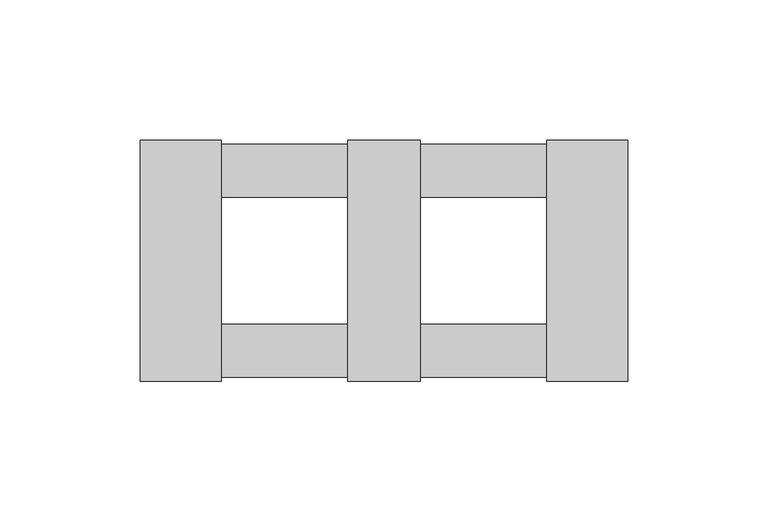
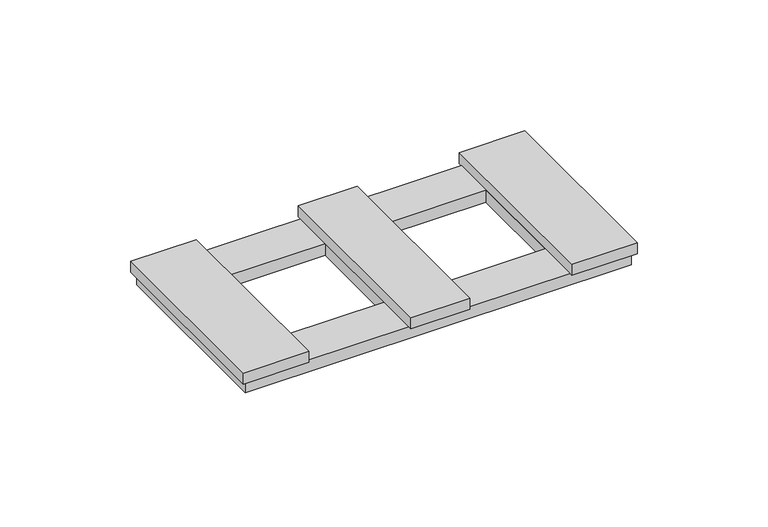
"""IFC4 building model written with IfcOpenShell, lengths in millimetres: proxy geometry."""

from ifc_helpers import new_model, si_unit, frame, origin, origin_with_axes, place, context, project, spatial, polyline, outline, extrude, source, transform, mapped, element, save


def electrical_fixtures_4fc4e918(model_context):
    return source(origin(), model_context, "Body", "SweptSolid", [
        extrude(outline(polyline([(-86.9, -43.0), (-86.9, 43.0), (-58.0, 43.0), (-58.0, -43.0), (-86.9, -43.0)])), frame((0.0, 0.0, 5.5), z_axis=(0.0, 0.0, 1.0), x_axis=(1.0, 0.0, 0.0)), (0.0, 0.0, 1.0), 5.2),
        extrude(outline(polyline([(-13.0, -43.0), (-13.0, 43.0), (13.0, 43.0), (13.0, -43.0), (-13.0, -43.0)])), frame((0.0, 0.0, 5.5), z_axis=(0.0, 0.0, 1.0), x_axis=(1.0, 0.0, 0.0)), (0.0, 0.0, 1.0), 5.2),
        extrude(outline(polyline([(85.2, 41.5), (85.2, -41.5), (-85.1718172, -41.5), (-85.1718172, 41.5), (85.2, 41.5)]), holes=[polyline([(-13.0, 22.5), (-58.0, 22.5), (-58.0, -22.5), (-13.0, -22.5), (-13.0, 22.5)]), polyline([(13.0, 22.5), (13.0, -22.5), (58.0, -22.5), (58.0, 22.5), (13.0, 22.5)])]), origin_with_axes(), (0.0, 0.0, 1.0), 5.5),
        extrude(outline(polyline([(58.0, 43.0), (86.9, 43.0), (86.9, -43.0), (58.0, -43.0), (58.0, 43.0)])), frame((0.0, 0.0, 5.5), z_axis=(0.0, 0.0, 1.0), x_axis=(1.0, 0.0, 0.0)), (0.0, 0.0, 1.0), 5.2),
    ])


if __name__ == "__main__":
    model = new_model("IFC4")
    model_context = context("Model", 3, world=origin())
    ifc_project = project(units=[si_unit("LENGTHUNIT", "METRE", prefix="MILLI")], contexts=[model_context])
    site = spatial("IfcSite", under=ifc_project)
    building = spatial("IfcBuilding", under=site)
    placement = place(None, origin())
    electrical_fixtures_shape = electrical_fixtures_4fc4e918(model_context)
    element("IfcBuildingElementProxy", 1, Name="Electrical Fixtures", at=placement, inside=building, context=model_context, shape_type="MappedRepresentation", body=[
        mapped(electrical_fixtures_shape, transform((0.0, 0.0, 0.0), x_axis=(1.0, 0.0, 0.0), y_axis=(0.0, 1.0, 0.0), z_axis=(0.0, 0.0, 1.0))),
    ])
    save(model, "model.ifc")
